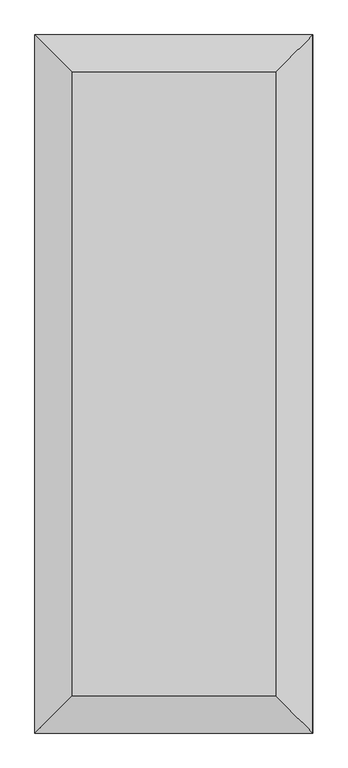
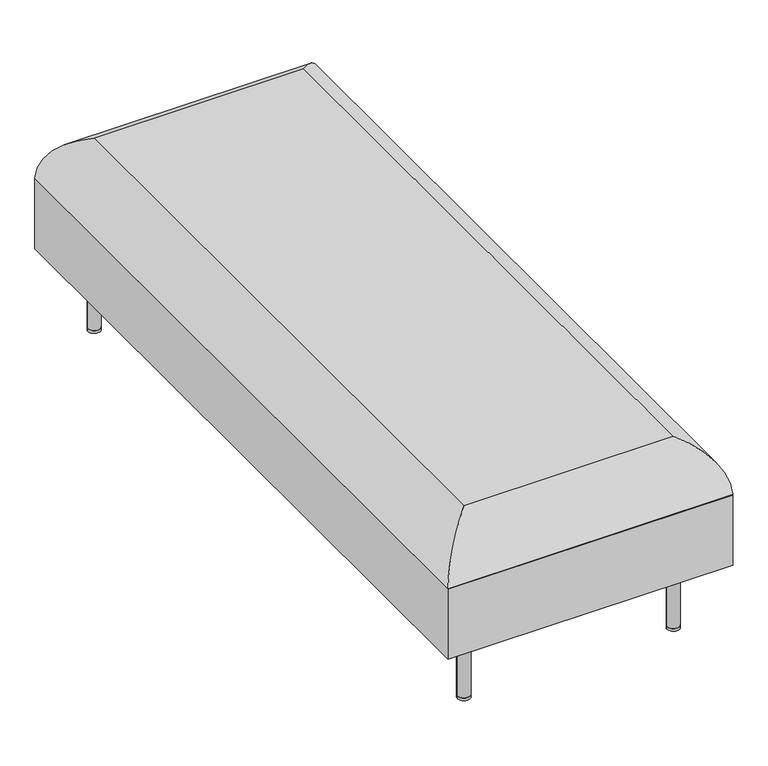
"""IFC4 building model written with IfcOpenShell, lengths in millimetres: furniture geometry."""

from ifc_helpers import new_model, si_unit, point, frame, frame_2d, origin, origin_with_axes, place, context, project, spatial, circle_curve, ellipse_curve, trimmed, segment, composite_curve, outline, extrude, source, transform, mapped, element, save
from ifc_brep_helpers import plane_surface, cylinder_surface, advanced_brep


def furniture_6221d6c6(model_context):
    return source(origin(), model_context, "Body", "SolidModel", [
        advanced_brep(
        [(324.602392, 815.2887201, 342.1905952), (238.91875, 729.6050781, 459.7796875), (238.91875, -729.6050781, 459.7796875), (324.602392, -815.2887201, 342.1905952), (-238.91875, -729.6050781, 459.7796875), (-324.602392, -815.2887201, 342.1905952), (-238.91875, 729.6050781, 459.7796875), (-324.602392, 815.2887201, 342.1905952), (324.64375, 815.3300781, 171.45), (324.64375, 815.3300781, 340.1411401), (324.64375, -815.3300781, 340.1411401), (324.64375, -815.3300781, 171.45), (-324.64375, -815.3300781, 340.1411401), (-324.64375, -815.3300781, 171.45), (-324.64375, 815.3300781, 340.1411401), (-324.64375, 815.3300781, 171.45)],
        [
            (0, 1, ellipse_curve(frame((193.8266483, 684.5129764, 336.9103314), z_axis=(0.7071067811865475, -0.7071067811865475, 0.0), x_axis=(0.7071067811865474, 0.7071067811865476, 0.0)), 185.095523, 130.8822995)),
            (1, 2),
            (2, 3, ellipse_curve(frame((193.8266483, -684.5129764, 336.9103314), z_axis=(0.7071067811865475, 0.7071067811865475, 0.0), x_axis=(-0.7071067811865474, 0.7071067811865476, 0.0)), 185.095523, 130.8822995)),
            (3, 0),
            (2, 4),
            (4, 5, ellipse_curve(frame((-193.8266483, -684.5129764, 336.9103314), z_axis=(0.7071067811865475, -0.7071067811865475, 0.0), x_axis=(0.7071067811865476, 0.7071067811865474, 0.0)), 185.095523, 130.8822995)),
            (5, 3),
            (4, 6),
            (6, 7, ellipse_curve(frame((-193.8266483, 684.5129764, 336.9103314), z_axis=(-0.7071067811865475, -0.7071067811865475, 0.0), x_axis=(0.7071067811865474, -0.7071067811865476, 0.0)), 185.095523, 130.8822995)),
            (7, 5),
            (0, 7),
            (6, 1),
            (8, 9),
            (9, 10),
            (10, 11),
            (11, 8),
            (10, 12),
            (12, 13),
            (13, 11),
            (12, 14),
            (14, 15),
            (15, 13),
            (8, 15),
            (14, 9),
            (3, 10, ellipse_curve(frame((273.84375, -764.5300781, 340.1411401), z_axis=(0.7071067811865475, 0.7071067811865475, 0.0), x_axis=(-0.7071067811865474, 0.7071067811865476, 0.0)), 71.842049, 50.8)),
            (9, 0, ellipse_curve(frame((273.84375, 764.5300781, 340.1411401), z_axis=(0.7071067811865475, -0.7071067811865475, 0.0), x_axis=(0.7071067811865474, 0.7071067811865476, 0.0)), 71.842049, 50.8)),
            (5, 12, ellipse_curve(frame((-273.84375, -764.5300781, 340.1411401), z_axis=(0.7071067811865475, -0.7071067811865475, 0.0), x_axis=(0.7071067811865476, 0.7071067811865474, 0.0)), 71.842049, 50.8)),
            (7, 14, ellipse_curve(frame((-273.84375, 764.5300781, 340.1411401), z_axis=(-0.7071067811865475, -0.7071067811865475, 0.0), x_axis=(0.7071067811865474, -0.7071067811865476, 0.0)), 71.842049, 50.8)),
        ],
        [
            cylinder_surface(frame((193.8266483, 815.3300781, 336.9103314), z_axis=(0.0, 1.0, 0.0), x_axis=(1.0, 0.0, 0.0)), 130.8822995),
            cylinder_surface(frame((324.64375, -684.5129764, 336.9103314), z_axis=(1.0, 0.0, 0.0), x_axis=(0.0, -1.0, 0.0)), 130.8822995),
            cylinder_surface(frame((-193.8266483, -815.3300781, 336.9103314), z_axis=(0.0, -1.0, 0.0), x_axis=(-1.0, 0.0, 0.0)), 130.8822995),
            cylinder_surface(frame((-324.64375, 684.5129764, 336.9103314), z_axis=(-1.0, 0.0, 0.0), x_axis=(0.0, 1.0, 0.0)), 130.8822995),
            plane_surface(frame((-238.91875, 729.6050781, 459.7796875), z_axis=(0.0, 0.0, 1.0), x_axis=(-1.0, 0.0, 0.0))),
            plane_surface(frame((324.64375, 815.3300781, 340.1411401), z_axis=(1.0, 0.0, 0.0), x_axis=(0.0, -1.0, 0.0))),
            plane_surface(frame((324.64375, -815.3300781, 340.1411401), z_axis=(0.0, -1.0, 0.0), x_axis=(-1.0, 0.0, 0.0))),
            plane_surface(frame((-324.64375, -815.3300781, 340.1411401), z_axis=(-1.0, 0.0, 0.0), x_axis=(0.0, 1.0, 0.0))),
            plane_surface(frame((-324.64375, 815.3300781, 340.1411401), z_axis=(0.0, 1.0, 0.0), x_axis=(1.0, 0.0, 0.0))),
            plane_surface(frame((-324.64375, 815.3300781, 171.45), z_axis=(0.0, 0.0, -1.0), x_axis=(1.0, 0.0, 0.0))),
            cylinder_surface(frame((273.84375, 815.3300781, 340.1411401), z_axis=(0.0, 1.0, 0.0), x_axis=(1.0, 0.0, 0.0)), 50.8),
            cylinder_surface(frame((324.64375, -764.5300781, 340.1411401), z_axis=(1.0, 0.0, 0.0), x_axis=(0.0, -1.0, 0.0)), 50.8),
            cylinder_surface(frame((-273.84375, -815.3300781, 340.1411401), z_axis=(0.0, -1.0, 0.0), x_axis=(-1.0, 0.0, 0.0)), 50.8),
            cylinder_surface(frame((-324.64375, 764.5300781, 340.1411401), z_axis=(-1.0, 0.0, 0.0), x_axis=(0.0, 1.0, 0.0)), 50.8),
        ],
        [
            (0, [[1, 2, 3, 4]]),
            (1, [[-3, 5, 6, 7]]),
            (2, [[-6, 8, 9, 10]]),
            (3, [[-1, 11, -9, 12]]),
            (4, [[-2, -12, -8, -5]]),
            (5, [[13, 14, 15, 16]]),
            (6, [[-15, 17, 18, 19]]),
            (7, [[-18, 20, 21, 22]]),
            (8, [[-13, 23, -21, 24]]),
            (9, [[-16, -19, -22, -23]]),
            (10, [[-4, 25, -14, 26]]),
            (11, [[-7, 27, -17, -25]]),
            (12, [[-10, 28, -20, -27]]),
            (13, [[-11, -26, -24, -28]]),
        ],
    ),
        extrude(outline(composite_curve([segment(trimmed(circle_curve(frame_2d((-238.91875, 729.6050781)), 14.2875), [point((-253.20625, 729.6050781))], [point((-224.63125, 729.6050781))], False, "CARTESIAN"), True, "CONTINUOUS"), segment(trimmed(circle_curve(frame_2d((-238.91875, 729.6050781)), 14.2875), [point((-224.63125, 729.6050781))], [point((-253.20625, 729.6050781))], False, "CARTESIAN"), True, "CONTINUOUS")], self_intersect=False)), origin_with_axes(), (0.0, 0.0, 1.0), 6.35),
        extrude(outline(composite_curve([segment(trimmed(circle_curve(frame_2d((238.91875, 729.6050781)), 14.2875), [point((224.63125, 729.6050781))], [point((253.20625, 729.6050781))], False, "CARTESIAN"), True, "CONTINUOUS"), segment(trimmed(circle_curve(frame_2d((238.91875, 729.6050781)), 14.2875), [point((253.20625, 729.6050781))], [point((224.63125, 729.6050781))], False, "CARTESIAN"), True, "CONTINUOUS")], self_intersect=False)), origin_with_axes(), (0.0, 0.0, 1.0), 6.35),
        extrude(outline(composite_curve([segment(trimmed(circle_curve(frame_2d((238.91875, -729.6050781)), 14.2875), [point((224.63125, -729.6050781))], [point((253.20625, -729.6050781))], False, "CARTESIAN"), True, "CONTINUOUS"), segment(trimmed(circle_curve(frame_2d((238.91875, -729.6050781)), 14.2875), [point((253.20625, -729.6050781))], [point((224.63125, -729.6050781))], False, "CARTESIAN"), True, "CONTINUOUS")], self_intersect=False)), origin_with_axes(), (0.0, 0.0, 1.0), 6.35),
        extrude(outline(composite_curve([segment(trimmed(circle_curve(frame_2d((-238.91875, -729.6050781)), 14.2875), [point((-253.20625, -729.6050781))], [point((-224.63125, -729.6050781))], False, "CARTESIAN"), True, "CONTINUOUS"), segment(trimmed(circle_curve(frame_2d((-238.91875, -729.6050781)), 14.2875), [point((-224.63125, -729.6050781))], [point((-253.20625, -729.6050781))], False, "CARTESIAN"), True, "CONTINUOUS")], self_intersect=False)), origin_with_axes(), (0.0, 0.0, 1.0), 6.35),
        extrude(outline(composite_curve([segment(trimmed(circle_curve(frame_2d((-238.91875, 729.6050781)), 14.2875), [point((-253.20625, 729.6050781))], [point((-224.63125, 729.6050781))], False, "CARTESIAN"), True, "CONTINUOUS"), segment(trimmed(circle_curve(frame_2d((-238.91875, 729.6050781)), 14.2875), [point((-224.63125, 729.6050781))], [point((-253.20625, 729.6050781))], False, "CARTESIAN"), True, "CONTINUOUS")], self_intersect=False)), frame((0.0, 0.0, 6.35), z_axis=(0.0, 0.0, 1.0), x_axis=(1.0, 0.0, 0.0)), (0.0, 0.0, 1.0), 165.1),
        extrude(outline(composite_curve([segment(trimmed(circle_curve(frame_2d((-238.91875, -729.6050781)), 14.2875), [point((-253.20625, -729.6050781))], [point((-224.63125, -729.6050781))], False, "CARTESIAN"), True, "CONTINUOUS"), segment(trimmed(circle_curve(frame_2d((-238.91875, -729.6050781)), 14.2875), [point((-224.63125, -729.6050781))], [point((-253.20625, -729.6050781))], False, "CARTESIAN"), True, "CONTINUOUS")], self_intersect=False)), frame((0.0, 0.0, 6.35), z_axis=(0.0, 0.0, 1.0), x_axis=(1.0, 0.0, 0.0)), (0.0, 0.0, 1.0), 165.1),
        extrude(outline(composite_curve([segment(trimmed(circle_curve(frame_2d((238.91875, -729.6050781)), 14.2875), [point((224.63125, -729.6050781))], [point((253.20625, -729.6050781))], False, "CARTESIAN"), True, "CONTINUOUS"), segment(trimmed(circle_curve(frame_2d((238.91875, -729.6050781)), 14.2875), [point((253.20625, -729.6050781))], [point((224.63125, -729.6050781))], False, "CARTESIAN"), True, "CONTINUOUS")], self_intersect=False)), frame((0.0, 0.0, 6.35), z_axis=(0.0, 0.0, 1.0), x_axis=(1.0, 0.0, 0.0)), (0.0, 0.0, 1.0), 165.1),
        extrude(outline(composite_curve([segment(trimmed(circle_curve(frame_2d((238.91875, 729.6050781)), 14.2875), [point((224.63125, 729.6050781))], [point((253.20625, 729.6050781))], False, "CARTESIAN"), True, "CONTINUOUS"), segment(trimmed(circle_curve(frame_2d((238.91875, 729.6050781)), 14.2875), [point((253.20625, 729.6050781))], [point((224.63125, 729.6050781))], False, "CARTESIAN"), True, "CONTINUOUS")], self_intersect=False)), frame((0.0, 0.0, 6.35), z_axis=(0.0, 0.0, 1.0), x_axis=(1.0, 0.0, 0.0)), (0.0, 0.0, 1.0), 165.1),
    ])


if __name__ == "__main__":
    model = new_model("IFC4")
    model_context = context("Model", 3, world=origin())
    ifc_project = project(units=[si_unit("LENGTHUNIT", "METRE", prefix="MILLI")], contexts=[model_context])
    site = spatial("IfcSite", under=ifc_project)
    building = spatial("IfcBuilding", under=site)
    placement = place(None, origin())
    furniture_shape = furniture_6221d6c6(model_context)
    element("IfcFurniture", 1, at=placement, inside=building, context=model_context, shape_type="MappedRepresentation", body=[
        mapped(furniture_shape, transform((0.0, 0.0, 0.0), x_axis=(1.0, 0.0, 0.0), y_axis=(0.0, 1.0, 0.0), z_axis=(0.0, 0.0, 1.0))),
    ])
    save(model, "model.ifc")
